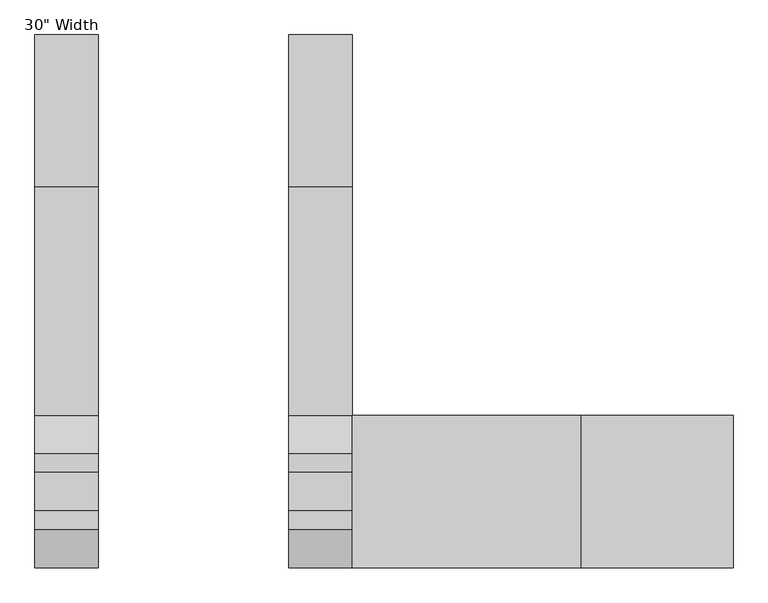
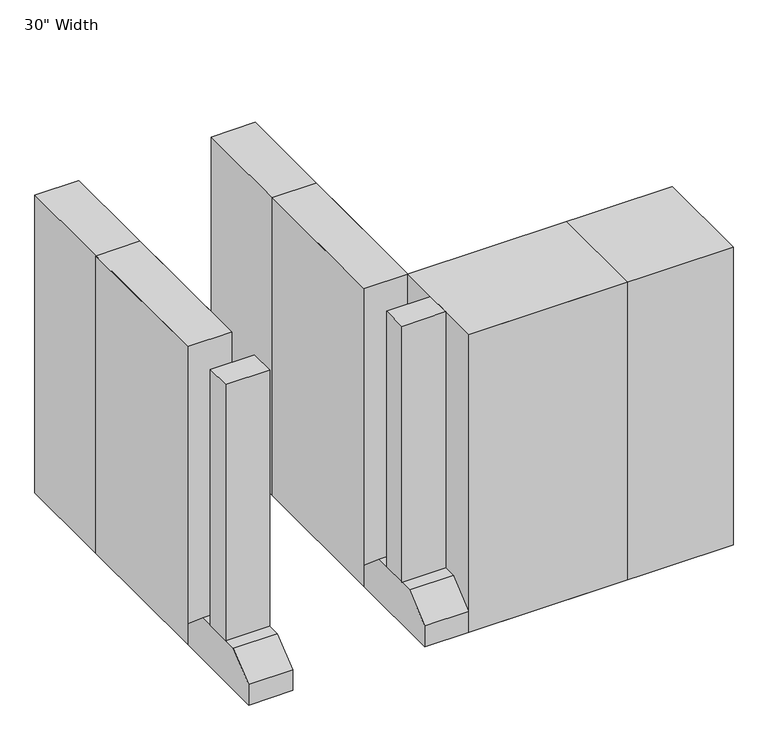
"""IFC4 building model written with IfcOpenShell, lengths in millimetres: proxy geometry."""

from ifc_helpers import new_model, si_unit, frame, origin, origin_with_axes, place, context, project, spatial, polyline, outline, extrude, source, transform, mapped, element, save


def proxy_74d56b13(model_context):
    return source(origin(), model_context, "Body", "SweptSolid", [
        extrude(outline(polyline([(1549.4, 304.8), (1549.4, -304.8), (635.0, -304.8), (635.0, 304.8), (1549.4, 304.8)])), origin_with_axes(), (0.0, 0.0, 1.0), 1816.1),
        extrude(outline(polyline([(381.0, 1219.2), (635.0, 1219.2), (635.0, 304.8), (381.0, 304.8), (381.0, 1219.2)])), origin_with_axes(), (0.0, 0.0, 1.0), 1816.1),
        extrude(outline(polyline([(-381.0, 1219.2), (-381.0, 304.8), (-635.0, 304.8), (-635.0, 1219.2), (-381.0, 1219.2)])), origin_with_axes(), (0.0, 0.0, 1.0), 1816.1),
        extrude(outline(polyline([(2159.0, 304.8), (2159.0, -304.8), (635.0, -304.8), (635.0, 304.8), (2159.0, 304.8)])), origin_with_axes(), (0.0, 0.0, 1.0), 1816.1),
        extrude(outline(polyline([(381.0, 1828.8), (635.0, 1828.8), (635.0, 304.8), (381.0, 304.8), (381.0, 1828.8)])), origin_with_axes(), (0.0, 0.0, 1.0), 1816.1),
        extrude(outline(polyline([(-381.0, 1828.8), (-381.0, 304.8), (-635.0, 304.8), (-635.0, 1828.8), (-381.0, 1828.8)])), origin_with_axes(), (0.0, 0.0, 1.0), 1816.1),
        extrude(outline(polyline([(-381.0, 76.2), (-381.0, -76.2), (-635.0, -76.2), (-635.0, 76.2), (-381.0, 76.2)])), frame((0.0, 0.0, 254.0), z_axis=(0.0, 0.0, 1.0), x_axis=(1.0, 0.0, 0.0)), (0.0, 0.0, 1.0), 1562.1),
        extrude(outline(polyline([(-153.4472937, 254.0), (153.4472937, 254.0), (304.8, 127.0), (304.8, 0.0), (-304.8, 0.0), (-304.8, 127.0), (-153.4472937, 254.0)])), frame((-635.0, 0.0, 0.0), z_axis=(1.0, 0.0, 0.0), x_axis=(0.0, 1.0, 0.0)), (0.0, 0.0, 1.0), 254.0),
        extrude(outline(polyline([(-153.4472937, 254.0), (153.4472937, 254.0), (304.8, 127.0), (304.8, 0.0), (-304.8, 0.0), (-304.8, 127.0), (-153.4472937, 254.0)])), frame((381.0, 0.0, 0.0), z_axis=(1.0, 0.0, 0.0), x_axis=(0.0, 1.0, 0.0)), (0.0, 0.0, 1.0), 254.0),
        extrude(outline(polyline([(381.0, 76.2), (635.0, 76.2), (635.0, -76.2), (381.0, -76.2), (381.0, 76.2)])), frame((0.0, 0.0, 254.0), z_axis=(0.0, 0.0, 1.0), x_axis=(1.0, 0.0, 0.0)), (0.0, 0.0, 1.0), 1562.1),
    ])


if __name__ == "__main__":
    model = new_model("IFC4")
    model_context = context("Model", 3, world=origin())
    ifc_project = project(units=[si_unit("LENGTHUNIT", "METRE", prefix="MILLI")], contexts=[model_context])
    site = spatial("IfcSite", under=ifc_project)
    building = spatial("IfcBuilding", under=site)
    placement = place(None, origin())
    proxy_shape = proxy_74d56b13(model_context)
    element("IfcBuildingElementProxy", 1, Name="30\" Width", ObjectType="30\" Width", at=placement, inside=building, context=model_context, shape_type="MappedRepresentation", body=[
        mapped(proxy_shape, transform((0.0, 0.0, 0.0), x_axis=(1.0, 0.0, 0.0), y_axis=(0.0, 1.0, 0.0), z_axis=(0.0, 0.0, 1.0))),
    ])
    save(model, "model.ifc")
